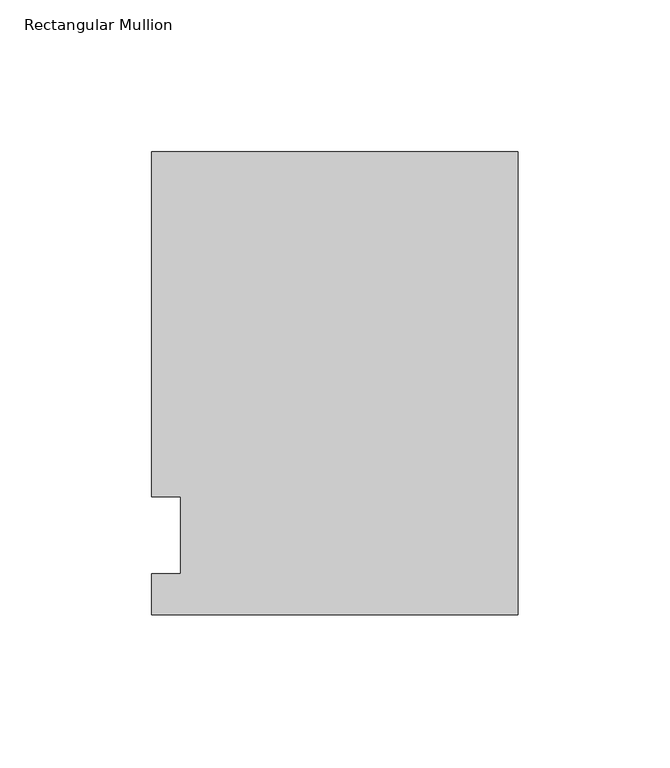
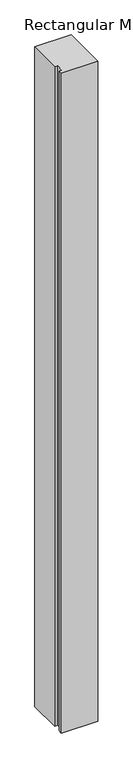
"""IFC4 building model written with IfcOpenShell, lengths in millimetres: member geometry, Rectangular Mullion."""

import ifcopenshell
import ifcopenshell.guid

model = None  # the IFC model being written
_history = None  # IfcOwnerHistory: only IFC2X3 demands one
_inside = {}  # id of a spatial element -> (the spatial element, [elements in it])
_under = {}  # id of a project, library or spatial element -> (it, [spatial elements below it])
_declared = {}  # id of a project -> (the project, [libraries it declares])
_typed = {}  # id of a type object -> (the type object, [elements of that type])
_made_of = {}  # id of a material, layer set ... -> (it, [elements and type objects made of it])


def new_model(schema):
    """Start an empty IFC model of exactly this schema.

    Asked for "IFC4X3", IfcOpenShell would pick the latest addendum, in which some entities
    have other attributes; the version numbers below select the first issue.
    IFC2X3 requires an IfcOwnerHistory on every rooted entity: one is made here for all.
    """
    global model, _history
    if schema == "IFC4X3":
        model = ifcopenshell.file(schema_version=(4, 3, 0, 0))
    else:
        model = ifcopenshell.file(schema=schema)
    _inside.clear()
    _under.clear()
    _declared.clear()
    _typed.clear()
    _made_of.clear()
    _history = None
    if model.schema == "IFC2X3":
        org = make("IfcOrganization", Name="unknown")
        user = make(
            "IfcPersonAndOrganization",
            ThePerson=make("IfcPerson", FamilyName="unknown"),
            TheOrganization=org,
        )
        app = make(
            "IfcApplication",
            ApplicationDeveloper=org,
            Version="unknown",
            ApplicationFullName="unknown",
            ApplicationIdentifier="unknown",
        )
        _history = make(
            "IfcOwnerHistory",
            OwningUser=user,
            OwningApplication=app,
            ChangeAction="ADDED",
            CreationDate=0,
        )
    return model


def make(cls, **values):
    """One entity of the class cls with the attributes given. An attribute that is None is left unset."""
    return model.create_entity(
        cls, **{name: value for name, value in values.items() if value is not None}
    )


def rooted(cls, **values):
    """An entity with a GlobalId (a new one), such as an element, a storey or a relation."""
    return make(cls, GlobalId=ifcopenshell.guid.new(), OwnerHistory=_history, **values)


def si_unit(unit_type, name, prefix=None):
    """IfcSIUnit, for example si_unit("LENGTHUNIT", "METRE", prefix="MILLI")."""
    return make("IfcSIUnit", UnitType=unit_type, Prefix=prefix, Name=name)


def assignment(units):
    """IfcUnitAssignment: the units of a project."""
    return None if units is None else make("IfcUnitAssignment", Units=units)


def point(xyz):
    """IfcCartesianPoint."""
    return None if xyz is None else make("IfcCartesianPoint", Coordinates=xyz)


def direction(xyz):
    """IfcDirection."""
    return None if xyz is None else make("IfcDirection", DirectionRatios=xyz)


def frame(location, z_axis=None, x_axis=None):
    """IfcAxis2Placement3D, a coordinate frame: its origin and axes. An axis left out is left unset."""
    return make(
        "IfcAxis2Placement3D",
        Location=point(location),
        Axis=direction(z_axis),
        RefDirection=direction(x_axis),
    )


def origin():
    """The frame at (0, 0, 0) with its axes left unset."""
    return frame((0.0, 0.0, 0.0))


def place(relative_to, where):
    """IfcLocalPlacement: puts the frame where relative to a parent placement (None: the world)."""
    return make(
        "IfcLocalPlacement", PlacementRelTo=relative_to, RelativePlacement=where
    )


def context(
    kind, dimensions, precision=None, world=None, true_north=None, identifier=None
):
    """IfcGeometricRepresentationContext, for example the 3D "Model" context."""
    return make(
        "IfcGeometricRepresentationContext",
        ContextIdentifier=identifier,
        ContextType=kind,
        CoordinateSpaceDimension=dimensions,
        Precision=precision,
        WorldCoordinateSystem=world,
        TrueNorth=true_north,
    )


def project(units=None, contexts=None):
    """IfcProject with its units and contexts."""
    return rooted(
        "IfcProject",
        Name="project",
        RepresentationContexts=contexts,
        UnitsInContext=assignment(units),
    )


def spatial(cls, under=None, at=None, **own):
    """A site, building, storey or space (cls), placed at a placement, below another one or the project."""
    s = rooted(cls, ObjectPlacement=at, **own)
    if under is not None:
        _under.setdefault(under.id(), (under, []))[1].append(s)
    return s


def polyline(points):
    """IfcPolyline through the points."""
    return make("IfcPolyline", Points=[point(p) for p in points])


def outline(outer, holes=None, kind="AREA"):
    """IfcArbitraryClosedProfileDef: a profile drawn as a closed curve; with holes, ...WithVoids."""
    if holes is None:
        return make("IfcArbitraryClosedProfileDef", ProfileType=kind, OuterCurve=outer)
    return make(
        "IfcArbitraryProfileDefWithVoids",
        ProfileType=kind,
        OuterCurve=outer,
        InnerCurves=holes,
    )


def extrude(swept, where, along, depth):
    """IfcExtrudedAreaSolid: the profile swept, set in the frame where, extruded along a direction by depth."""
    return make(
        "IfcExtrudedAreaSolid",
        SweptArea=swept,
        Position=where,
        ExtrudedDirection=direction(along),
        Depth=depth,
    )


def shape(context_of_items, identifier, shape_type, items):
    """IfcShapeRepresentation: the items that make up one representation, for example the "Body"."""
    return make(
        "IfcShapeRepresentation",
        ContextOfItems=context_of_items,
        RepresentationIdentifier=identifier,
        RepresentationType=shape_type,
        Items=items,
    )


def source(mapping_origin, context_of_items, identifier, shape_type, items):
    """IfcRepresentationMap: a shape defined once, which mapped items show again and again."""
    return make(
        "IfcRepresentationMap",
        MappingOrigin=mapping_origin,
        MappedRepresentation=shape(context_of_items, identifier, shape_type, items),
    )


def transform(
    local_origin,
    x_axis=None,
    y_axis=None,
    z_axis=None,
    scale=None,
    scale2=None,
    scale3=None,
    uniform=True,
):
    """IfcCartesianTransformationOperator3D, or its non-uniform kind. x_axis, y_axis, z_axis: its Axis1, 2, 3."""
    if uniform:
        return make(
            "IfcCartesianTransformationOperator3D",
            Axis1=direction(x_axis),
            Axis2=direction(y_axis),
            LocalOrigin=point(local_origin),
            Scale=scale,
            Axis3=direction(z_axis),
        )
    return make(
        "IfcCartesianTransformationOperator3DnonUniform",
        Axis1=direction(x_axis),
        Axis2=direction(y_axis),
        LocalOrigin=point(local_origin),
        Scale=scale,
        Axis3=direction(z_axis),
        Scale2=scale2,
        Scale3=scale3,
    )


def mapped(mapping_source, mapping_target):
    """IfcMappedItem: shows the shape of a source again, moved by a transform."""
    return make(
        "IfcMappedItem", MappingSource=mapping_source, MappingTarget=mapping_target
    )


def made_of(thing, what):
    """Note that an element or type object is made of a material, layer set ...; save() writes the relation."""
    if what is not None:
        _made_of.setdefault(what.id(), (what, []))[1].append(thing)
    return thing


def element(
    cls,
    number,
    at=None,
    inside=None,
    cuts=None,
    type_object=None,
    material=None,
    context=None,
    identifier="Body",
    shape_type=None,
    held_by="IfcProductDefinitionShape",
    body=None,
    shapes=None,
    **own,
):
    """One element of the class cls, such as IfcWall. Its Tag is "e" and its number.

    at: its placement. inside: the storey or other place that contains it. cuts: it is an
    opening in that element (IfcRelVoidsElement). A single representation is given by context,
    identifier, shape_type and body (its items); several are given by shapes. held_by: the class
    of the entity that holds the representations. save() writes the other relations.
    """
    e = rooted(cls, Tag="e%d" % number, ObjectPlacement=at, **own)
    if body is not None:
        shapes = [shape(context, identifier, shape_type, body)]
    if shapes is not None:
        e.Representation = make(held_by, Representations=shapes)
    if inside is not None:
        _inside.setdefault(inside.id(), (inside, []))[1].append(e)
    if cuts is not None:
        rooted(
            "IfcRelVoidsElement", RelatingBuildingElement=cuts, RelatedOpeningElement=e
        )
    if type_object is not None:
        _typed.setdefault(type_object.id(), (type_object, []))[1].append(e)
    return made_of(e, material)


def aggregate(whole, parts):
    """IfcRelAggregates: a whole, such as a stair, and the parts it consists of."""
    return rooted("IfcRelAggregates", RelatingObject=whole, RelatedObjects=parts)


def save(model, path):
    """Write the relations noted so far, then the file.

    IfcRelAggregates (storeys below a building ...), IfcRelContainedInSpatialStructure (elements
    in a storey), IfcRelDefinesByType, IfcRelAssociatesMaterial and IfcRelDeclares: one each for
    every whole, place, type object, material and project.
    """
    for whole, parts in _under.values():
        aggregate(whole, parts)
    for where, things in _inside.values():
        rooted(
            "IfcRelContainedInSpatialStructure",
            RelatedElements=things,
            RelatingStructure=where,
        )
    for kind, things in _typed.values():
        rooted("IfcRelDefinesByType", RelatedObjects=things, RelatingType=kind)
    for what, things in _made_of.values():
        rooted("IfcRelAssociatesMaterial", RelatedObjects=things, RelatingMaterial=what)
    for by, libraries in _declared.values():
        rooted("IfcRelDeclares", RelatingContext=by, RelatedDefinitions=libraries)
    model.write(path)


def rectangular_mullion_ef183418(model_context):
    return source(origin(), model_context, "Body", "SweptSolid", [
        extrude(outline(polyline([(-120.65, -26.19375), (-120.65, -12.7), (-111.125, -12.7), (-111.125, 12.7), (-120.65, 12.7), (-120.65, 126.20625), (0.0, 126.20625), (0.0, -26.19375), (-120.65, -26.19375)])), frame((0.0, 0.0, -2311.4), z_axis=(0.0, 0.0, 1.0), x_axis=(1.0, 0.0, 0.0)), (0.0, 0.0, 1.0), 2311.3923531),
    ])


if __name__ == "__main__":
    model = new_model("IFC4")
    model_context = context("Model", 3, world=origin())
    ifc_project = project(units=[si_unit("LENGTHUNIT", "METRE", prefix="MILLI")], contexts=[model_context])
    site = spatial("IfcSite", under=ifc_project)
    building = spatial("IfcBuilding", under=site)
    placement = place(None, origin())
    rectangular_mullion_shape = rectangular_mullion_ef183418(model_context)
    element("IfcMember", 1, ObjectType="Rectangular Mullion", at=placement, inside=building, context=model_context, shape_type="MappedRepresentation", body=[
        mapped(rectangular_mullion_shape, transform((0.0, 0.0, 0.0), x_axis=(1.0, 0.0, 0.0), y_axis=(0.0, 1.0, 0.0), z_axis=(0.0, 0.0, 1.0))),
    ])
    save(model, "model.ifc")
